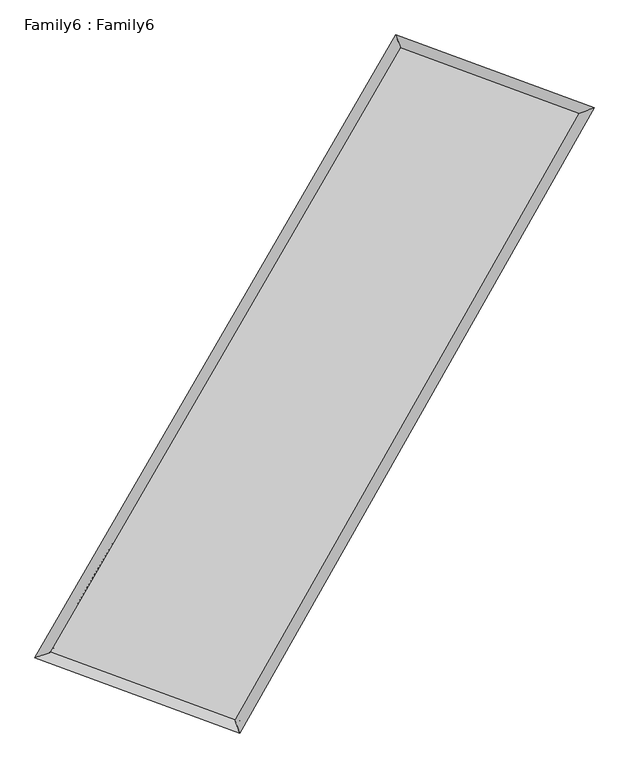
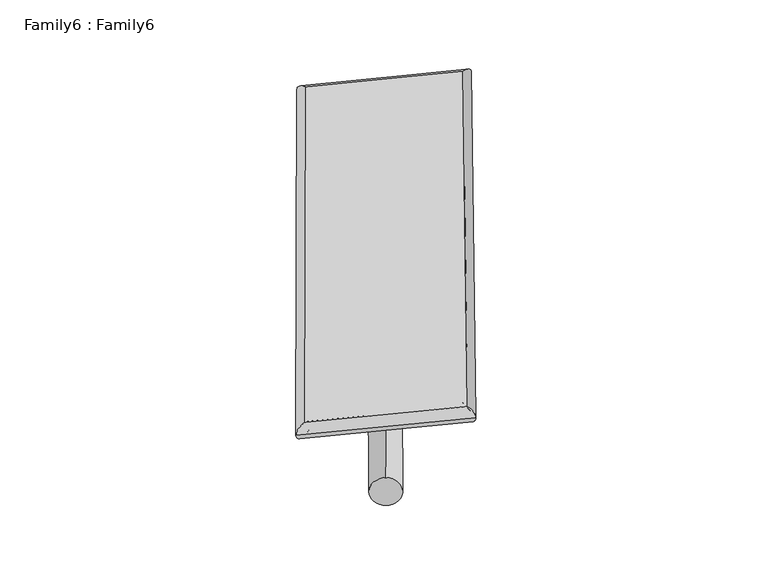
"""IFC4 building model written with IfcOpenShell, lengths in millimetres: plate geometry, Family6 : Family6."""

from ifc_helpers import new_model, si_unit, point, frame, origin, origin_2d, place, context, project, spatial, circle_curve, ellipse_curve, trimmed, segment, composite_curve, outline, extrude, source, transform, mapped, element, save
from ifc_brep_helpers import plane_surface, cylinder_surface, spline_surface, advanced_brep


def family6_family6_9dda48a9(model_context):
    return source(origin(), model_context, "Body", "SolidModel", [
        extrude(outline(composite_curve([segment(trimmed(circle_curve(origin_2d(), 76.2), [point((-75.4341514, -10.7763074))], [point((75.4341514, 10.7763074))], False, "CARTESIAN"), True, "CONTINUOUS"), segment(trimmed(circle_curve(origin_2d(), 76.2), [point((75.4341514, 10.7763074))], [point((-75.4341514, -10.7763074))], False, "CARTESIAN"), True, "CONTINUOUS")], self_intersect=False)), frame((9144.0, 9144.0, 0.0), z_axis=(0.674293618072384, 0.6917510238279313, 0.25847366918094977), x_axis=(-0.6823079905769822, 0.7174883815145975, -0.14023633047953152)), (0.0, 0.0, 1.0), 5904.2280697),
        extrude(outline(composite_curve([segment(trimmed(circle_curve(origin_2d(), 76.2), [point((-53.8815367, 53.8815367))], [point((53.8815367, -53.8815367))], False, "CARTESIAN"), True, "CONTINUOUS"), segment(trimmed(circle_curve(origin_2d(), 76.2), [point((53.8815367, -53.8815367))], [point((-53.8815367, 53.8815367))], False, "CARTESIAN"), True, "CONTINUOUS")], self_intersect=False)), frame((9144.0, 9144.0, 0.0), z_axis=(-0.6799640408018613, -0.686534759640711, 0.25752461439923763), x_axis=(0.6310719371024263, -0.36910174300067433, 0.6822844813680403)), (0.0, 0.0, 1.0), 5926.3403896),
        extrude(outline(composite_curve([segment(trimmed(circle_curve(origin_2d(), 76.2), [point((-53.8815368, -53.8815368))], [point((53.8815368, 53.8815368))], False, "CARTESIAN"), True, "CONTINUOUS"), segment(trimmed(circle_curve(origin_2d(), 76.2), [point((53.8815368, 53.8815368))], [point((-53.8815368, -53.8815368))], False, "CARTESIAN"), True, "CONTINUOUS")], self_intersect=False)), frame((9144.0, 9144.0, 0.0), z_axis=(0.2334981984668345, 0.9315524034236351, 0.27872694700798484), x_axis=(-0.8479091332407954, 0.3353791599669552, -0.4105738920422276)), (0.0, 0.0, 1.0), 5455.1849897),
        extrude(outline(composite_curve([segment(trimmed(circle_curve(origin_2d(), 76.2), [point((-75.4341515, 10.7763074))], [point((75.4341515, -10.7763074))], False, "CARTESIAN"), True, "CONTINUOUS"), segment(trimmed(circle_curve(origin_2d(), 76.2), [point((75.4341515, -10.7763074))], [point((-75.4341515, 10.7763074))], False, "CARTESIAN"), True, "CONTINUOUS")], self_intersect=False)), frame((9144.0, 9144.0, 0.0), z_axis=(-0.22455412103450528, -0.9338203548843889, 0.27848696833068354), x_axis=(0.8918276430998454, -0.08176957225327236, 0.44492380477615684)), (0.0, 0.0, 1.0), 5460.7446231),
        advanced_brep(
        [(4891.5191818, 4994.8969165, 1525.8199408), (4891.5182343, 4994.8956865, 1526.657733), (5337.0841013, 5155.8257337, 1526.5371064), (10485.3567611, 14038.4757307, 1521.0316109), (10350.1949737, 14413.1056459, 1519.9825042), (5337.0850488, 5155.8269637, 1525.6993142), (12904.0851765, 13147.3036393, 1526.0170288), (13346.2814377, 13309.207985, 1526.157957), (7848.982886, 4232.3083156, 1520.8319799), (7986.5516959, 3856.9827206, 1520.6604499)],
        [
            (0, 1, ellipse_curve(frame((5114.3016415, 5075.3613251, 1526.1785236), z_axis=(-0.3397024331400055, 0.9405324362586556, 0.0009966263684089225), x_axis=(-0.9405312701080263, -0.33970364176995155, 0.0015380888190746846)), 236.8700358, 152.4)),
            (1, 2, ellipse_curve(frame((5114.3016415, 5075.3613251, 1526.1785236), z_axis=(-0.3397024331400055, 0.9405324362586556, 0.0009966263684089225), x_axis=(-0.9405312701080263, -0.33970364176995155, 0.0015380888190746846)), 236.8700358, 152.4)),
            (2, 3),
            (3, 4, ellipse_curve(frame((10417.7758674, 14225.7906883, 1520.5070576), z_axis=(-0.9406498984344577, -0.3393772746909335, -0.0009132352373883585), x_axis=(0.33937514288411796, -0.9406491534910502, 0.0019189655950859726)), 199.1340253, 152.4)),
            (4, 0),
            (2, 5, ellipse_curve(frame((5114.3016415, 5075.3613251, 1526.1785236), z_axis=(-0.3397024331400055, 0.9405324362586556, 0.0009966263684089225), x_axis=(-0.9405312701080263, -0.33970364176995155, 0.0015380888190746846)), 236.8700358, 152.4)),
            (5, 0, ellipse_curve(frame((5114.3016415, 5075.3613251, 1526.1785236), z_axis=(-0.3397024331400055, 0.9405324362586556, 0.0009966263684089225), x_axis=(-0.9405312701080263, -0.33970364176995155, 0.0015380888190746846)), 236.8700358, 152.4)),
            (4, 3, ellipse_curve(frame((10417.7758674, 14225.7906883, 1520.5070576), z_axis=(-0.9406498984344577, -0.3393772746909335, -0.0009132352373883585), x_axis=(0.33937514288411796, -0.9406491534910502, 0.0019189655950859726)), 199.1340253, 152.4)),
            (3, 6),
            (6, 7, ellipse_curve(frame((13125.1833071, 13228.2558122, 1526.0874929), z_axis=(-0.3438155355482067, 0.9390365596984562, -0.001103206865262296), x_axis=(-0.9390353213535084, -0.34381696245099824, -0.0016004941369204355)), 235.4522729, 152.4)),
            (7, 4),
            (7, 6, ellipse_curve(frame((13125.1833071, 13228.2558122, 1526.0874929), z_axis=(-0.3438155355482067, 0.9390365596984562, -0.001103206865262296), x_axis=(-0.9390353213535084, -0.34381696245099824, -0.0016004941369204355)), 235.4522729, 152.4)),
            (6, 8),
            (8, 9, ellipse_curve(frame((7917.767291, 4044.6455181, 1520.7462149), z_axis=(0.9389167267028273, 0.3441433411883491, -0.000860832949985648), x_axis=(-0.344141461389357, 0.9389160917210086, 0.0017964576656482652)), 199.8716615, 152.4)),
            (9, 7),
            (9, 8, ellipse_curve(frame((7917.767291, 4044.6455181, 1520.7462149), z_axis=(0.9389167267028273, 0.3441433411883491, -0.000860832949985648), x_axis=(-0.344141461389357, 0.9389160917210086, 0.0017964576656482652)), 199.8716615, 152.4)),
            (8, 5),
            (1, 9),
        ],
        [
            cylinder_surface(frame((5114.3016415, 5075.3613251, 1526.1785236), z_axis=(-0.5014509231710139, -0.8651859245804715, 0.0005362450678155755), x_axis=(-0.8651829833542406, 0.5014473646730788, -0.002990949126978319)), 152.4),
            cylinder_surface(frame((10417.7758674, 14225.7906883, 1520.5070576), z_axis=(-0.9383336066604088, 0.34572576125127535, -0.0019340679656620924), x_axis=(0.34572913268021394, 0.9383326016926828, -0.0018153282976095526)), 152.4),
            cylinder_surface(frame((13125.1833071, 13228.2558122, 1526.0874929), z_axis=(0.4932541263855989, 0.8698851135837675, 0.0005059337266329218), x_axis=(0.8698852504739614, -0.4932541263855989, -0.0001334594818293646)), 152.4),
            cylinder_surface(frame((7917.767291, 4044.6455181, 1520.7462149), z_axis=(0.938573758396302, -0.34507389416297507, -0.0018186855254605813), x_axis=(-0.3450726253718082, -0.9385754748133385, 0.0009804580175908286)), 152.4),
        ],
        [
            (0, [[1, 2, 3, 4, 5]]),
            (0, [[6, 7, -5, 8, -3]]),
            (1, [[-4, 9, 10, 11]]),
            (1, [[-8, -11, 12, -9]]),
            (2, [[-10, 13, 14, 15]]),
            (2, [[-12, -15, 16, -13]]),
            (3, [[-14, 17, -6, -2, 18]]),
            (3, [[-16, -18, -1, -7, -17]]),
        ],
    ),
        extrude(outline(composite_curve([segment(trimmed(circle_curve(origin_2d(), 304.8), [point((-1e-07, -304.8))], [point((-1e-07, 304.8))], False, "CARTESIAN"), True, "CONTINUOUS"), segment(trimmed(circle_curve(origin_2d(), 304.8), [point((-1e-07, 304.8))], [point((-1e-07, -304.8))], False, "CARTESIAN"), True, "CONTINUOUS")], self_intersect=False)), frame((6506.3780813, 4541.8652556, -0.000375), z_axis=(0.49725139773866056, 0.8676065049588687, 7.069391098855167e-08), x_axis=(-0.8676065049588714, 0.49725139773866056, 1.8822297929104693e-08)), (0.0, 0.0, 1.0), 10608.8064535),
        advanced_brep(
        [(5114.3016415, 5075.3613251, 1526.1785236), (7917.767291, 4044.6455181, 1520.7462149), (7917.7690816, 4044.6472452, 1673.1462149), (5114.3034322, 5075.3630522, 1678.5785236), (13125.1833071, 13228.2558122, 1526.0874929), (13125.1850977, 13228.2575392, 1678.4874928), (10417.7758674, 14225.7906883, 1520.5070576), (10417.777658, 14225.7924154, 1672.9070575)],
        [
            (0, 1),
            (1, 2),
            (2, 3),
            (3, 0),
            (1, 4),
            (4, 5),
            (5, 2),
            (4, 6),
            (6, 7),
            (7, 5),
            (6, 0),
            (3, 7),
        ],
        [
            plane_surface(frame((6516.0344663, 4560.0034216, 1523.4623693), z_axis=(-0.3450744397365263, -0.9385753197398194, 1.4690758181880813e-05), x_axis=(0.9385737583963017, -0.34507389416297507, -0.001818685525460579))),
            plane_surface(frame((10521.475299, 8636.4506651, 1523.4168539), z_axis=(0.8698852260618929, -0.49325418747113003, -4.630854303764979e-06), x_axis=(0.4932541263855989, 0.8698851135837674, 0.000505933726632924))),
            plane_surface(frame((11771.4795872, 13727.0232502, 1523.2972752), z_axis=(0.34572643449978413, 0.9383353517117977, -1.4695699320264248e-05), x_axis=(-0.9383336066604085, 0.3457257612512756, -0.0019340679656620911))),
            plane_surface(frame((7766.0387545, 9650.5760067, 1523.3427906), z_axis=(-0.8651860477622917, 0.5014509973440783, 4.482751998186691e-06), x_axis=(-0.501450923171014, -0.8651859245804714, 0.0005362450678155759))),
            spline_surface(1, 1, [[(7917.7690816, 4044.6472452, 1673.1462149), (5114.3034322, 5075.3630522, 1678.5785236)], [(13125.1850977, 13228.2575392, 1678.4874928), (10417.777658, 14225.7924154, 1672.9070575)]], [2, 2], [2, 2], [0.0, 1.0], [0.0, 1.0]),
            spline_surface(1, 1, [[(10417.7758674, 14225.7906883, 1520.5070576), (5114.3016415, 5075.3613251, 1526.1785236)], [(13125.1833071, 13228.2558122, 1526.0874929), (7917.767291, 4044.6455181, 1520.7462149)]], [2, 2], [2, 2], [0.0, 1.0], [0.0, 1.0]),
        ],
        [
            (0, [[1, 2, 3, 4]]),
            (1, [[5, 6, 7, -2]]),
            (2, [[8, 9, 10, -6]]),
            (3, [[11, -4, 12, -9]]),
            (4, [[-3, -7, -10, -12]]),
            (5, [[-11, -8, -5, -1]]),
        ],
    ),
    ])


if __name__ == "__main__":
    model = new_model("IFC4")
    model_context = context("Model", 3, world=origin())
    ifc_project = project(units=[si_unit("LENGTHUNIT", "METRE", prefix="MILLI")], contexts=[model_context])
    site = spatial("IfcSite", under=ifc_project)
    building = spatial("IfcBuilding", under=site)
    placement = place(None, origin())
    family6_family6_shape = family6_family6_9dda48a9(model_context)
    element("IfcPlate", 1, ObjectType="Family6 : Family6", at=placement, inside=building, context=model_context, shape_type="MappedRepresentation", body=[
        mapped(family6_family6_shape, transform((0.0, 0.0, 0.0), x_axis=(1.0, 0.0, 0.0), y_axis=(0.0, 1.0, 0.0), z_axis=(0.0, 0.0, 1.0))),
    ])
    save(model, "model.ifc")
